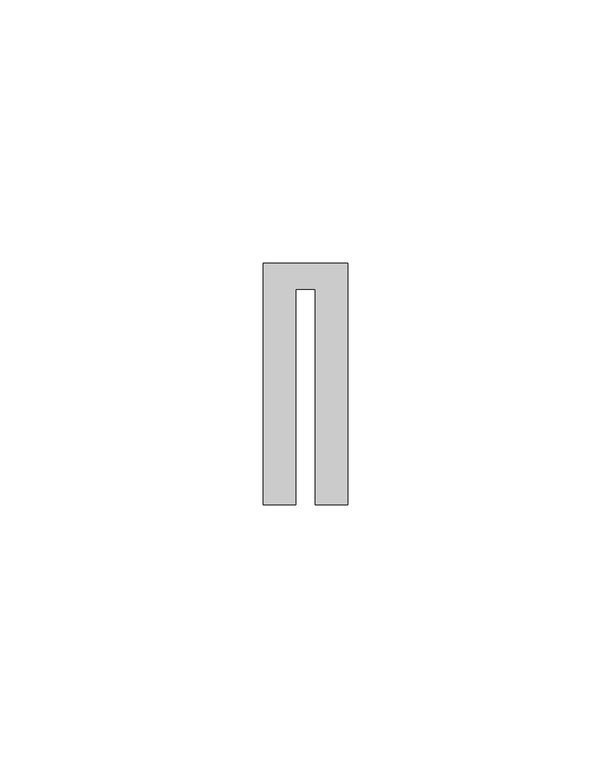
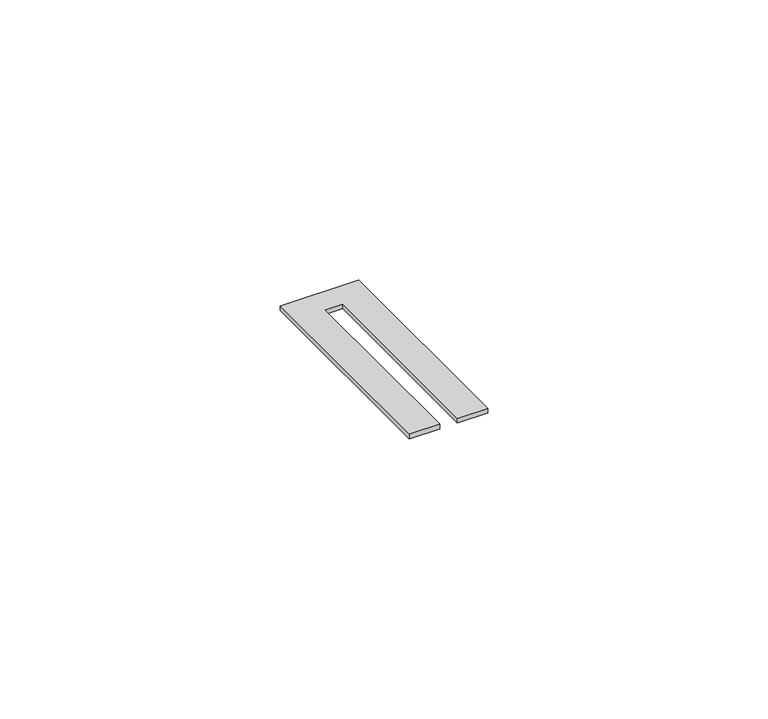
"""IFC4 building model written with IfcOpenShell, lengths in millimetres: proxy geometry."""

from ifc_helpers import new_model, si_unit, origin, origin_with_axes, place, context, project, spatial, polyline, outline, extrude, source, transform, mapped, element, save


def generic_models_7bdba087(model_context):
    return source(origin(), model_context, "Body", "SweptSolid", [
        extrude(outline(polyline([(9.9, 5.0), (9.9, -41.0), (3.7, -41.0), (3.7, 0.0), (0.0, 0.0), (0.0, -41.0), (-6.2, -41.0), (-6.2, 5.0), (9.9, 5.0)])), origin_with_axes(), (0.0, 0.0, 1.0), 1.0),
    ])


if __name__ == "__main__":
    model = new_model("IFC4")
    model_context = context("Model", 3, world=origin())
    ifc_project = project(units=[si_unit("LENGTHUNIT", "METRE", prefix="MILLI")], contexts=[model_context])
    site = spatial("IfcSite", under=ifc_project)
    building = spatial("IfcBuilding", under=site)
    placement = place(None, origin())
    generic_models_shape = generic_models_7bdba087(model_context)
    element("IfcBuildingElementProxy", 1, Name="Generic Models", at=placement, inside=building, context=model_context, shape_type="MappedRepresentation", body=[
        mapped(generic_models_shape, transform((0.0, 0.0, 0.0), x_axis=(1.0, 0.0, 0.0), y_axis=(0.0, 1.0, 0.0), z_axis=(0.0, 0.0, 1.0))),
    ])
    save(model, "model.ifc")
